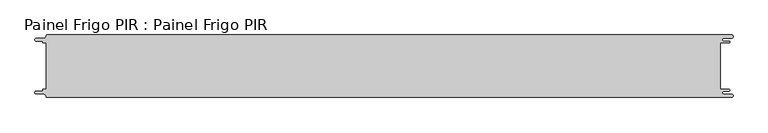
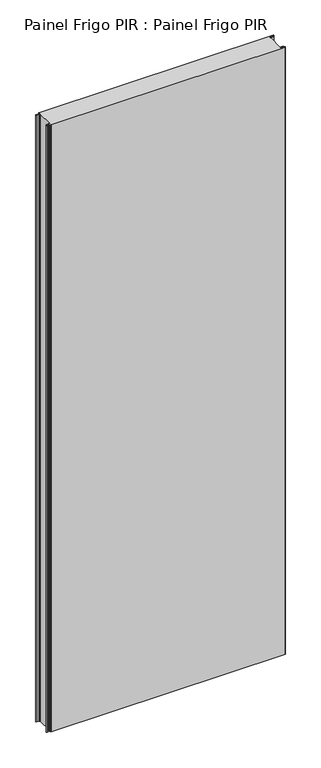
"""IFC4 building model written with IfcOpenShell, lengths in millimetres: proxy geometry, Painel Frigo PIR : Painel Frigo PIR."""

from ifc_helpers import new_model, si_unit, frame, origin, place, context, project, spatial, polyline, circle_curve, source, transform, mapped, element, save
from ifc_brep_helpers import plane_surface, cylinder_surface, revolved_surface, advanced_brep


def painel_frigo_pir_painel_frigo_pir_de82f151(model_context):
    return source(origin(), model_context, "Body", "AdvancedBrep", [
        advanced_brep(
        [(-554.5874998, 37.3, 3000.0), (-549.2999612, 37.3, 3000.0), (-549.2999612, -37.2999995, 3000.0), (-554.5874998, -37.2999995, 3000.0), (-555.1875003, -37.9, 3000.0), (-555.1875003, -38.7085185, 3000.0), (-556.5875003, -40.1085185, 3000.0), (-565.565625, -40.1085185, 3000.0), (-565.565625, -44.5085185, 3000.0), (-553.55, -44.5085185, 3000.0), (-550.0, -48.0585185, 3000.0), (-548.05, -50.0, 3000.0), (546.89375, -50.0, 3000.0), (546.89375, -44.725, 3000.0), (534.45625, -44.725, 3000.0), (534.45625, -39.875, 3000.0), (543.1187503, -39.875, 3000.0), (543.1187503, -37.3, 3000.0), (529.2687503, -37.3, 3000.0), (529.2687503, 37.3, 3000.0), (543.1187503, 37.3, 3000.0), (543.1187503, 39.875, 3000.0), (534.45625, 39.875, 3000.0), (534.45625, 44.725, 3000.0), (546.89375, 44.725, 3000.0), (546.89375, 50.0, 3000.0), (-548.05, 50.0, 3000.0), (-550.0, 48.05, 3000.0), (-553.55, 44.5085185, 3000.0), (-565.565625, 44.5085185, 3000.0), (-565.565625, 40.1085187, 3000.0), (-556.5875001, 40.1085187, 3000.0), (-555.1874998, 38.7085184, 3000.0), (-555.1874998, 37.9, 3000.0), (-554.5874998, 37.3, 0.0), (-555.1874998, 37.9, 0.0), (-555.1874998, 38.7085184, 0.0), (-556.5875001, 40.1085187, 0.0), (-565.565625, 40.1085187, 0.0), (-565.565625, 44.5085185, 0.0), (-553.55, 44.5085185, 0.0), (-550.0, 48.0585185, 0.0), (-548.05, 50.0, 0.0), (546.89375, 50.0, 0.0), (546.89375, 44.725, 0.0), (534.45625, 44.725, 0.0), (534.45625, 39.875, 0.0), (543.1187503, 39.875, 0.0), (543.1187503, 37.3, 0.0), (529.2687503, 37.3, 0.0), (529.2687503, -37.3, 0.0), (543.1187503, -37.3, 0.0), (543.1187503, -39.875, 0.0), (534.45625, -39.875, 0.0), (534.45625, -44.725, 0.0), (546.89375, -44.725, 0.0), (546.89375, -50.0, 0.0), (-548.05, -50.0, 0.0), (-550.0, -48.05, 0.0), (-553.55, -44.5085185, 0.0), (-565.565625, -44.5085185, 0.0), (-565.565625, -40.1085185, 0.0), (-556.5875003, -40.1085185, 0.0), (-555.1875003, -38.7085185, 0.0), (-555.1875003, -37.9, 0.0), (-554.5874998, -37.2999995, 0.0), (-549.2999612, -37.2999995, 0.0), (-549.2999612, 37.3, 0.0)],
        [
            (0, 1),
            (1, 2),
            (2, 3),
            (3, 4, circle_curve(frame((-554.5874998, -37.9, 3000.0), z_axis=(0.0, 0.0, 1.0), x_axis=(1.0, 0.0, 0.0)), 0.6000005)),
            (4, 5),
            (5, 6, circle_curve(frame((-556.5875003, -38.7085185, 3000.0), z_axis=(0.0, 0.0, -1.0), x_axis=(1.0, 0.0, 0.0)), 1.4)),
            (6, 7),
            (7, 8, circle_curve(frame((-565.565625, -42.3085185, 3000.0), z_axis=(0.0, 0.0, 1.0), x_axis=(1.0, 0.0, 0.0)), 2.2)),
            (8, 9),
            (9, 10, circle_curve(frame((-553.55, -48.0585185, 3000.0), z_axis=(0.0, 0.0, -1.0), x_axis=(1.0, 0.0, 0.0)), 3.55)),
            (10, 11, circle_curve(frame((-548.05, -48.05, 3000.0), z_axis=(0.0, 0.0, 1.0), x_axis=(1.0, 0.0, 0.0)), 1.95)),
            (11, 12),
            (12, 13, circle_curve(frame((546.89375, -47.3625, 3000.0), z_axis=(0.0, 0.0, 1.0), x_axis=(1.0, 0.0, 0.0)), 2.6375)),
            (13, 14),
            (14, 15, circle_curve(frame((534.45625, -42.3, 3000.0), z_axis=(0.0, 0.0, -1.0), x_axis=(1.0, 0.0, 0.0)), 2.425)),
            (15, 16),
            (16, 17, circle_curve(frame((543.1187503, -38.5875, 3000.0), z_axis=(0.0, 0.0, 1.0), x_axis=(1.0, 0.0, 0.0)), 1.2875)),
            (17, 18),
            (18, 19),
            (19, 20),
            (20, 21, circle_curve(frame((543.1187503, 38.5875, 3000.0), z_axis=(0.0, 0.0, 1.0), x_axis=(1.0, 0.0, 0.0)), 1.2875)),
            (21, 22),
            (22, 23, circle_curve(frame((534.45625, 42.3, 3000.0), z_axis=(0.0, 0.0, -1.0), x_axis=(1.0, 0.0, 0.0)), 2.425)),
            (23, 24),
            (24, 25, circle_curve(frame((546.89375, 47.3625, 3000.0), z_axis=(0.0, 0.0, 1.0), x_axis=(1.0, 0.0, 0.0)), 2.6375)),
            (25, 26),
            (26, 27, circle_curve(frame((-548.05, 48.05, 3000.0), z_axis=(0.0, 0.0, 1.0), x_axis=(1.0, 0.0, 0.0)), 1.95)),
            (27, 28, circle_curve(frame((-553.55, 48.0585185, 3000.0), z_axis=(0.0, 0.0, -1.0), x_axis=(1.0, 0.0, 0.0)), 3.55)),
            (28, 29),
            (29, 30, circle_curve(frame((-565.565625, 42.3085186, 3000.0), z_axis=(0.0, 0.0, 1.0), x_axis=(1.0, 0.0, 0.0)), 2.1999999)),
            (30, 31),
            (31, 32, circle_curve(frame((-556.5875001, 38.7085184, 3000.0), z_axis=(0.0, 0.0, -1.0), x_axis=(1.0, 0.0, 0.0)), 1.4000003)),
            (32, 33),
            (33, 0, circle_curve(frame((-554.5874998, 37.9, 3000.0), z_axis=(0.0, 0.0, 1.0), x_axis=(1.0, 0.0, 0.0)), 0.6)),
            (34, 35, circle_curve(frame((-554.5874998, 37.9, 0.0), z_axis=(0.0, 0.0, -1.0), x_axis=(1.0, 0.0, 0.0)), 0.6)),
            (35, 36),
            (36, 37, circle_curve(frame((-556.5875001, 38.7085184, 0.0), z_axis=(0.0, 0.0, 1.0), x_axis=(1.0, 0.0, 0.0)), 1.4000003)),
            (37, 38),
            (38, 39, circle_curve(frame((-565.565625, 42.3085186, 0.0), z_axis=(0.0, 0.0, -1.0), x_axis=(1.0, 0.0, 0.0)), 2.1999999)),
            (39, 40),
            (40, 41, circle_curve(frame((-553.55, 48.0585185, 0.0), z_axis=(0.0, 0.0, 1.0), x_axis=(1.0, 0.0, 0.0)), 3.55)),
            (41, 42, circle_curve(frame((-548.05, 48.05, 0.0), z_axis=(0.0, 0.0, -1.0), x_axis=(1.0, 0.0, 0.0)), 1.95)),
            (42, 43),
            (43, 44, circle_curve(frame((546.89375, 47.3625, 0.0), z_axis=(0.0, 0.0, -1.0), x_axis=(1.0, 0.0, 0.0)), 2.6375)),
            (44, 45),
            (45, 46, circle_curve(frame((534.45625, 42.3, 0.0), z_axis=(0.0, 0.0, 1.0), x_axis=(1.0, 0.0, 0.0)), 2.425)),
            (46, 47),
            (47, 48, circle_curve(frame((543.1187503, 38.5875, 0.0), z_axis=(0.0, 0.0, -1.0), x_axis=(1.0, 0.0, 0.0)), 1.2875)),
            (48, 49),
            (49, 50),
            (50, 51),
            (51, 52, circle_curve(frame((543.1187503, -38.5875, 0.0), z_axis=(0.0, 0.0, -1.0), x_axis=(1.0, 0.0, 0.0)), 1.2875)),
            (52, 53),
            (53, 54, circle_curve(frame((534.45625, -42.3, 0.0), z_axis=(0.0, 0.0, 1.0), x_axis=(1.0, 0.0, 0.0)), 2.425)),
            (54, 55),
            (55, 56, circle_curve(frame((546.89375, -47.3625, 0.0), z_axis=(0.0, 0.0, -1.0), x_axis=(1.0, 0.0, 0.0)), 2.6375)),
            (56, 57),
            (57, 58, circle_curve(frame((-548.05, -48.05, 0.0), z_axis=(0.0, 0.0, -1.0), x_axis=(1.0, 0.0, 0.0)), 1.95)),
            (58, 59, circle_curve(frame((-553.55, -48.0585185, 0.0), z_axis=(0.0, 0.0, 1.0), x_axis=(1.0, 0.0, 0.0)), 3.55)),
            (59, 60),
            (60, 61, circle_curve(frame((-565.565625, -42.3085185, 0.0), z_axis=(0.0, 0.0, -1.0), x_axis=(1.0, 0.0, 0.0)), 2.2)),
            (61, 62),
            (62, 63, circle_curve(frame((-556.5875003, -38.7085185, 0.0), z_axis=(0.0, 0.0, 1.0), x_axis=(1.0, 0.0, 0.0)), 1.4)),
            (63, 64),
            (64, 65, circle_curve(frame((-554.5874998, -37.9, 0.0), z_axis=(0.0, 0.0, -1.0), x_axis=(1.0, 0.0, 0.0)), 0.6000005)),
            (65, 66),
            (66, 67),
            (67, 34),
            (0, 34),
            (67, 1),
            (66, 2),
            (65, 3),
            (64, 4),
            (63, 5),
            (62, 6),
            (61, 7),
            (60, 8),
            (59, 9),
            (58, 10),
            (57, 11),
            (56, 12),
            (18, 50),
            (49, 19),
            (48, 20),
            (47, 21),
            (46, 22),
            (45, 23),
            (44, 24),
            (43, 25),
            (42, 26),
            (41, 27),
            (40, 28),
            (39, 29),
            (38, 30),
            (37, 31),
            (36, 32),
            (35, 33),
            (55, 13),
            (54, 14),
            (53, 15),
            (52, 16),
            (51, 17),
        ],
        [
            plane_surface(frame((-549.2999612, 37.3, 3000.0), z_axis=(0.0, 0.0, 1.0), x_axis=(1.0, 0.0, 0.0))),
            plane_surface(frame((-549.2999612, 37.3, 0.0), z_axis=(0.0, 0.0, -1.0), x_axis=(-1.0, 0.0, 0.0))),
            plane_surface(frame((-554.5874998, 37.3, 3000.0), z_axis=(0.0, -1.0, 0.0), x_axis=(0.0, 0.0, -1.0))),
            plane_surface(frame((-549.2999612, 37.3, 3000.0), z_axis=(-1.0, 0.0, 0.0), x_axis=(0.0, 0.0, -1.0))),
            plane_surface(frame((-549.2999612, -37.2999995, 3000.0), z_axis=(0.0, 1.0, 0.0), x_axis=(0.0, 0.0, -1.0))),
            cylinder_surface(frame((-554.5874998, -37.9, 0.0), z_axis=(0.0, 0.0, 1.0), x_axis=(1.0, 0.0, 0.0)), 0.6000005),
            plane_surface(frame((-555.1875003, -37.9, 3000.0), z_axis=(-1.0, 1.757860866232943e-12, 0.0), x_axis=(0.0, 0.0, -1.0))),
            revolved_surface(polyline([(-555.1875003, -38.7085185, 0.0), (-555.1875003, -38.7085185, 3000.0)]), (-556.5875003, -38.7085185, 0.0), (0.0, 0.0, -1.0)),
            plane_surface(frame((-556.5875003, -40.1085185, 3000.0), z_axis=(0.0, 1.0, 0.0), x_axis=(0.0, 0.0, -1.0))),
            cylinder_surface(frame((-565.565625, -42.3085185, 0.0), z_axis=(0.0, 0.0, 1.0), x_axis=(1.0, 0.0, 0.0)), 2.2),
            plane_surface(frame((-565.565625, -44.5085185, 3000.0), z_axis=(0.0, -1.0, 0.0), x_axis=(0.0, 0.0, -1.0))),
            revolved_surface(polyline([(-550.0, -48.0585185, 0.0), (-550.0, -48.0585185, 3000.0)]), (-553.55, -48.0585185, 0.0), (0.0, 0.0, -1.0)),
            cylinder_surface(frame((-548.05, -48.05, 0.0), z_axis=(0.0, 0.0, 1.0), x_axis=(1.0, 0.0, 0.0)), 1.95),
            plane_surface(frame((-548.05, -50.0, 3000.0), z_axis=(0.0, -1.0, 0.0), x_axis=(0.0, 0.0, -1.0))),
            plane_surface(frame((529.2687503, -37.3, 3000.0), z_axis=(1.0, 0.0, 0.0), x_axis=(0.0, 0.0, -1.0))),
            plane_surface(frame((529.2687503, 37.3, 3000.0), z_axis=(0.0, -1.0, 0.0), x_axis=(0.0, 0.0, -1.0))),
            cylinder_surface(frame((543.1187503, 38.5875, 0.0), z_axis=(0.0, 0.0, 1.0), x_axis=(1.0, 0.0, 0.0)), 1.2875),
            plane_surface(frame((543.1187503, 39.875, 3000.0), z_axis=(0.0, 1.0, 0.0), x_axis=(0.0, 0.0, -1.0))),
            revolved_surface(polyline([(536.8812499999999, 42.3, 0.0), (536.8812499999999, 42.3, 3000.0)]), (534.45625, 42.3, 0.0), (0.0, 0.0, -1.0)),
            plane_surface(frame((534.45625, 44.725, 3000.0), z_axis=(0.0, -1.0, 0.0), x_axis=(0.0, 0.0, -1.0))),
            cylinder_surface(frame((546.89375, 47.3625, 0.0), z_axis=(0.0, 0.0, 1.0), x_axis=(1.0, 0.0, 0.0)), 2.6375),
            plane_surface(frame((546.89375, 50.0, 3000.0), z_axis=(0.0, 1.0, 0.0), x_axis=(0.0, 0.0, -1.0))),
            cylinder_surface(frame((-548.05, 48.05, 0.0), z_axis=(0.0, 0.0, 1.0), x_axis=(1.0, 0.0, 0.0)), 1.95),
            revolved_surface(polyline([(-550.0, 48.0585185, 0.0), (-550.0, 48.0585185, 3000.0)]), (-553.55, 48.0585185, 0.0), (0.0, 0.0, -1.0)),
            plane_surface(frame((-553.55, 44.5085185, 3000.0), z_axis=(0.0, 1.0, 0.0), x_axis=(0.0, 0.0, -1.0))),
            cylinder_surface(frame((-565.565625, 42.3085186, 0.0), z_axis=(0.0, 0.0, 1.0), x_axis=(1.0, 0.0, 0.0)), 2.1999999),
            plane_surface(frame((-565.565625, 40.1085187, 3000.0), z_axis=(0.0, -1.0, 0.0), x_axis=(0.0, 0.0, -1.0))),
            revolved_surface(polyline([(-555.1874998000001, 38.7085184, 0.0), (-555.1874998000001, 38.7085184, 3000.0)]), (-556.5875001, 38.7085184, 0.0), (0.0, 0.0, -1.0)),
            plane_surface(frame((-555.1874998, 38.7085184, 3000.0), z_axis=(-1.0, 0.0, 0.0), x_axis=(0.0, 0.0, -1.0))),
            cylinder_surface(frame((-554.5874998, 37.9, 0.0), z_axis=(0.0, 0.0, 1.0), x_axis=(1.0, 0.0, 0.0)), 0.6),
            cylinder_surface(frame((546.89375, -47.3625, 0.0), z_axis=(0.0, 0.0, 1.0), x_axis=(1.0, 0.0, 0.0)), 2.6375),
            plane_surface(frame((546.89375, -44.725, 3000.0), z_axis=(0.0, 1.0, 0.0), x_axis=(0.0, 0.0, -1.0))),
            revolved_surface(polyline([(536.8812499999999, -42.3, 0.0), (536.8812499999999, -42.3, 3000.0)]), (534.45625, -42.3, 0.0), (0.0, 0.0, -1.0)),
            plane_surface(frame((534.45625, -39.875, 3000.0), z_axis=(0.0, -1.0, 0.0), x_axis=(0.0, 0.0, -1.0))),
            cylinder_surface(frame((543.1187503, -38.5875, 0.0), z_axis=(0.0, 0.0, 1.0), x_axis=(1.0, 0.0, 0.0)), 1.2875),
            plane_surface(frame((543.1187503, -37.3, 3000.0), z_axis=(0.0, 1.0, 0.0), x_axis=(0.0, 0.0, -1.0))),
        ],
        [
            (0, [[1, 2, 3, 4, 5, 6, 7, 8, 9, 10, 11, 12, 13, 14, 15, 16, 17, 18, 19, 20, 21, 22, 23, 24, 25, 26, 27, 28, 29, 30, 31, 32, 33, 34]]),
            (1, [[35, 36, 37, 38, 39, 40, 41, 42, 43, 44, 45, 46, 47, 48, 49, 50, 51, 52, 53, 54, 55, 56, 57, 58, 59, 60, 61, 62, 63, 64, 65, 66, 67, 68]]),
            (2, [[-1, 69, -68, 70]]),
            (3, [[-2, -70, -67, 71]]),
            (4, [[-3, -71, -66, 72]]),
            (5, [[-4, -72, -65, 73]]),
            (6, [[-5, -73, -64, 74]]),
            (7, [[-6, -74, -63, 75]]),
            (8, [[-7, -75, -62, 76]]),
            (9, [[-8, -76, -61, 77]]),
            (10, [[-9, -77, -60, 78]]),
            (11, [[-10, -78, -59, 79]]),
            (12, [[-11, -79, -58, 80]]),
            (13, [[-12, -80, -57, 81]]),
            (14, [[-19, 82, -50, 83]]),
            (15, [[-20, -83, -49, 84]]),
            (16, [[-21, -84, -48, 85]]),
            (17, [[-22, -85, -47, 86]]),
            (18, [[-23, -86, -46, 87]]),
            (19, [[-24, -87, -45, 88]]),
            (20, [[-25, -88, -44, 89]]),
            (21, [[-26, -89, -43, 90]]),
            (22, [[-27, -90, -42, 91]]),
            (23, [[-28, -91, -41, 92]]),
            (24, [[-29, -92, -40, 93]]),
            (25, [[-30, -93, -39, 94]]),
            (26, [[-31, -94, -38, 95]]),
            (27, [[-32, -95, -37, 96]]),
            (28, [[-33, -96, -36, 97]]),
            (29, [[-34, -97, -35, -69]]),
            (30, [[-13, -81, -56, 98]]),
            (31, [[-14, -98, -55, 99]]),
            (32, [[-15, -99, -54, 100]]),
            (33, [[-16, -100, -53, 101]]),
            (34, [[-17, -101, -52, 102]]),
            (35, [[-18, -102, -51, -82]]),
        ],
    ),
    ])


if __name__ == "__main__":
    model = new_model("IFC4")
    model_context = context("Model", 3, world=origin())
    ifc_project = project(units=[si_unit("LENGTHUNIT", "METRE", prefix="MILLI")], contexts=[model_context])
    site = spatial("IfcSite", under=ifc_project)
    building = spatial("IfcBuilding", under=site)
    placement = place(None, origin())
    painel_frigo_pir_painel_frigo_pir_shape = painel_frigo_pir_painel_frigo_pir_de82f151(model_context)
    element("IfcBuildingElementProxy", 1, Name="Painel Frigo PIR : Painel Frigo PIR", ObjectType="Painel Frigo PIR : Painel Frigo PIR", at=placement, inside=building, context=model_context, shape_type="MappedRepresentation", body=[
        mapped(painel_frigo_pir_painel_frigo_pir_shape, transform((0.0, 0.0, 0.0), x_axis=(1.0, 0.0, 0.0), y_axis=(0.0, 1.0, 0.0), z_axis=(0.0, 0.0, 1.0))),
    ])
    save(model, "model.ifc")
